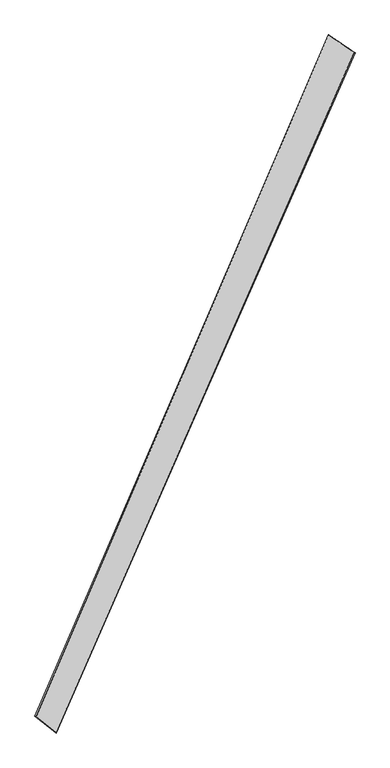
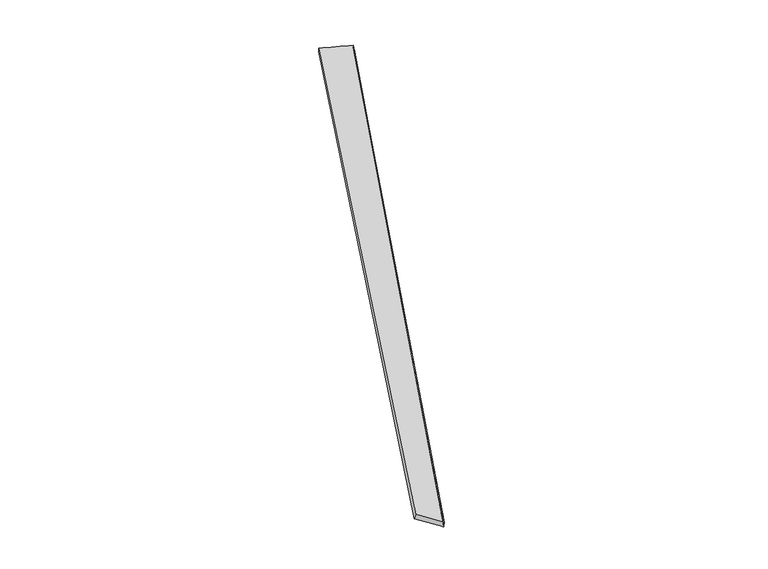
"""IFC4 building model written with IfcOpenShell, lengths in millimetres: proxy geometry."""

from ifc_helpers import new_model, si_unit, origin, place, context, project, spatial, source, transform, mapped, element, save
from ifc_brep_helpers import spline_surface, advanced_brep


def generic_models_2fe714d1(model_context):
    return source(origin(), model_context, "Body", "AdvancedBrep", [
        advanced_brep(
        [(-707.8867962, -1793.313217, -16.3820783), (-712.1103077, -1791.2348941, -46.0104857), (993.3148302, 2074.7276439, -16.0814342), (987.941611, 2076.8558735, 13.356622), (-829.8306426, -1696.5442495, -12.275787), (844.6261827, 2174.7609729, -43.2297059), (-821.7574406, -1699.7879266, 16.4348725), (841.7026258, 2176.2452701, -13.4094162)],
        [
            (0, 1),
            (1, 2),
            (2, 3),
            (3, 0),
            (1, 4),
            (4, 5),
            (5, 2),
            (4, 6),
            (6, 7),
            (7, 5),
            (6, 0),
            (3, 7),
        ],
        [
            spline_surface(1, 1, [[(-707.8867962, -1793.313217, -16.3820783), (987.941611, 2076.8558735, 13.356622)], [(-712.1103077, -1791.2348941, -46.0104857), (993.3148302, 2074.7276439, -16.0814342)]], [2, 2], [2, 2], [0.0, 1.0], [0.0, 1.0]),
            spline_surface(1, 1, [[(-712.1103077, -1791.2348941, -46.0104857), (993.3148302, 2074.7276439, -16.0814342)], [(-829.8306426, -1696.5442495, -12.275787), (844.6261827, 2174.7609729, -43.2297059)]], [2, 2], [2, 2], [0.0, 1.0], [0.0, 1.0]),
            spline_surface(1, 1, [[(-829.8306426, -1696.5442495, -12.275787), (844.6261827, 2174.7609729, -43.2297059)], [(-821.7574406, -1699.7879266, 16.4348725), (841.7026258, 2176.2452701, -13.4094162)]], [2, 2], [2, 2], [0.0, 1.0], [0.0, 1.0]),
            spline_surface(1, 1, [[(-821.7574406, -1699.7879266, 16.4348725), (841.7026258, 2176.2452701, -13.4094162)], [(-707.8867962, -1793.313217, -16.3820783), (987.941611, 2076.8558735, 13.356622)]], [2, 2], [2, 2], [0.0, 1.0], [0.0, 1.0]),
            spline_surface(1, 1, [[(993.3148302, 2074.7276439, -16.0814342), (987.941611, 2076.8558735, 13.356622)], [(844.6261827, 2174.7609729, -43.2297059), (841.7026258, 2176.2452701, -13.4094162)]], [2, 2], [2, 2], [0.0, 1.0], [0.0, 1.0]),
            spline_surface(1, 1, [[(-821.7574406, -1699.7879266, 16.4348725), (-707.8867962, -1793.313217, -16.3820783)], [(-829.8306426, -1696.5442495, -12.275787), (-712.1103077, -1791.2348941, -46.0104857)]], [2, 2], [2, 2], [0.0, 1.0], [0.0, 1.0]),
        ],
        [
            (0, [[1, 2, 3, 4]]),
            (1, [[5, 6, 7, -2]]),
            (2, [[8, 9, 10, -6]]),
            (3, [[11, -4, 12, -9]]),
            (4, [[-3, -7, -10, -12]]),
            (5, [[-11, -8, -5, -1]]),
        ],
    ),
    ])


if __name__ == "__main__":
    model = new_model("IFC4")
    model_context = context("Model", 3, world=origin())
    ifc_project = project(units=[si_unit("LENGTHUNIT", "METRE", prefix="MILLI")], contexts=[model_context])
    site = spatial("IfcSite", under=ifc_project)
    building = spatial("IfcBuilding", under=site)
    placement = place(None, origin())
    generic_models_shape = generic_models_2fe714d1(model_context)
    element("IfcBuildingElementProxy", 1, Name="Generic Models", at=placement, inside=building, context=model_context, shape_type="MappedRepresentation", body=[
        mapped(generic_models_shape, transform((0.0, 0.0, 0.0), x_axis=(1.0, 0.0, 0.0), y_axis=(0.0, 1.0, 0.0), z_axis=(0.0, 0.0, 1.0))),
    ])
    save(model, "model.ifc")
